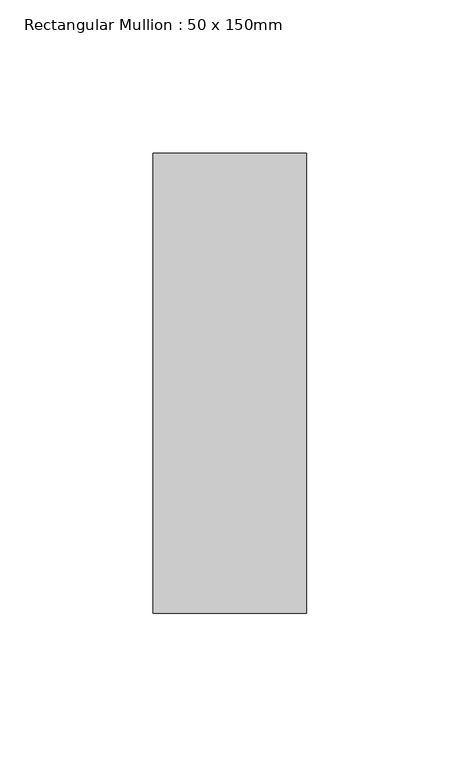
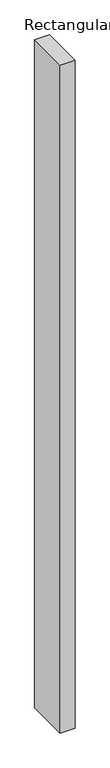
"""IFC4 building model written with IfcOpenShell, lengths in millimetres: member geometry, Rectangular Mullion : 50 x 150mm."""

from ifc_helpers import new_model, si_unit, frame, origin, place, context, project, spatial, polyline, outline, extrude, source, transform, mapped, element, save


def rectangular_mullion_50_x_150mm_662c37b1(model_context):
    return source(origin(), model_context, "Body", "SweptSolid", [
        extrude(outline(polyline([(0.0, 75.0), (0.0, -75.0), (-50.0, -75.0), (-50.0, 75.0), (0.0, 75.0)])), frame((0.0, 0.0, -2400.0), z_axis=(0.0, 0.0, 1.0), x_axis=(1.0, 0.0, 0.0)), (0.0, 0.0, 1.0), 2400.0),
    ])


if __name__ == "__main__":
    model = new_model("IFC4")
    model_context = context("Model", 3, world=origin())
    ifc_project = project(units=[si_unit("LENGTHUNIT", "METRE", prefix="MILLI")], contexts=[model_context])
    site = spatial("IfcSite", under=ifc_project)
    building = spatial("IfcBuilding", under=site)
    placement = place(None, origin())
    rectangular_mullion_50_x_150mm_shape = rectangular_mullion_50_x_150mm_662c37b1(model_context)
    element("IfcMember", 1, ObjectType="Rectangular Mullion : 50 x 150mm", at=placement, inside=building, context=model_context, shape_type="MappedRepresentation", body=[
        mapped(rectangular_mullion_50_x_150mm_shape, transform((0.0, 0.0, 0.0), x_axis=(1.0, 0.0, 0.0), y_axis=(0.0, 1.0, 0.0), z_axis=(0.0, 0.0, 1.0))),
    ])
    save(model, "model.ifc")
